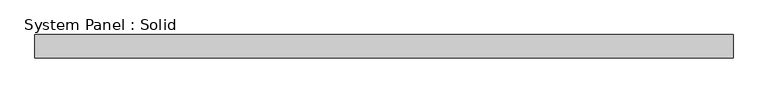
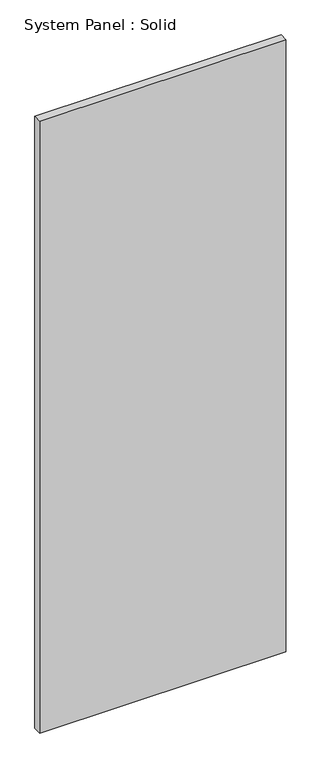
"""IFC4 building model written with IfcOpenShell, lengths in millimetres: plate geometry, System Panel : Solid."""

from ifc_helpers import new_model, si_unit, origin, origin_with_axes, place, context, project, spatial, polyline, outline, extrude, source, transform, mapped, element, save


def system_panel_solid_7ff5cc9e(model_context):
    return source(origin(), model_context, "Body", "SweptSolid", [
        extrude(outline(polyline([(750.0000025, -25.0), (-750.0000025, -25.0), (-750.0000025, 25.0), (750.0000025, 25.0), (750.0000025, -25.0)])), origin_with_axes(), (0.0, 0.0, 1.0), 3940.0),
    ])


if __name__ == "__main__":
    model = new_model("IFC4")
    model_context = context("Model", 3, world=origin())
    ifc_project = project(units=[si_unit("LENGTHUNIT", "METRE", prefix="MILLI")], contexts=[model_context])
    site = spatial("IfcSite", under=ifc_project)
    building = spatial("IfcBuilding", under=site)
    placement = place(None, origin())
    system_panel_solid_shape = system_panel_solid_7ff5cc9e(model_context)
    element("IfcPlate", 1, ObjectType="System Panel : Solid", at=placement, inside=building, context=model_context, shape_type="MappedRepresentation", body=[
        mapped(system_panel_solid_shape, transform((0.0, 0.0, 0.0), x_axis=(1.0, 0.0, 0.0), y_axis=(0.0, 1.0, 0.0), z_axis=(0.0, 0.0, 1.0))),
    ])
    save(model, "model.ifc")
